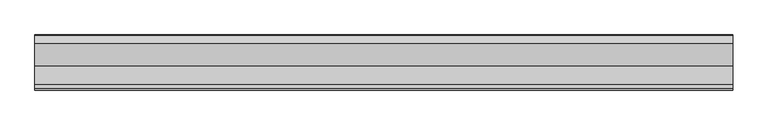
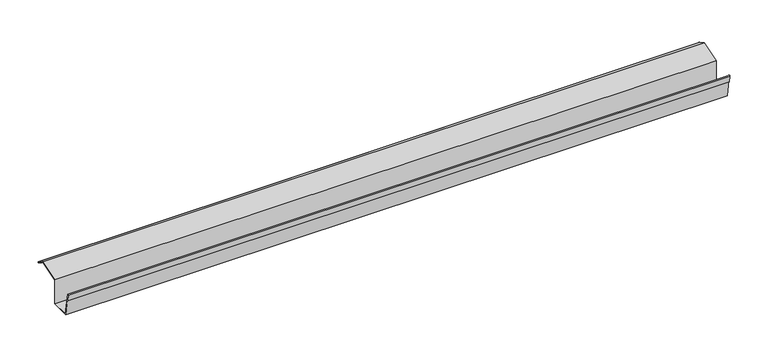
"""IFC4 building model written with IfcOpenShell, lengths in millimetres: proxy geometry."""

from ifc_helpers import new_model, si_unit, point, frame, frame_2d, origin, place, context, project, spatial, polyline, circle_curve, trimmed, segment, composite_curve, outline, extrude, source, transform, mapped, element, save


def generic_models_3a86c1da(model_context):
    return source(origin(), model_context, "Body", "SweptSolid", [
        extrude(outline(composite_curve([segment(polyline([(-77.1946836, 35.8400258), (-71.0162032, 0.8001226), (-43.9357531, 0.8001226), (-43.9357531, 38.6709803), (-11.8596013, 48.3982435), (-0.4135747, 41.789877)]), True, "CONTINUOUS"), segment(trimmed(circle_curve(frame_2d((-0.8260714, 41.0754118)), 0.8249933), [point((-0.4135747, 41.789877))], [point((-1.2385681, 40.3609466))], False, "CARTESIAN"), True, "CONTINUOUS"), segment(polyline([(-1.2385681, 40.3609466), (-9.9008205, 45.3621004), (-9.5008205, 46.0549207), (-0.8405664, 41.0549207), (-11.8315273, 47.5707806), (-43.1357531, 38.077608), (-43.1357531, 0.0001226), (-71.6874829, 0.0001226), (-77.9825298, 35.7011072), (-76.3918631, 25.8151362), (-77.1816154, 25.6880639), (-78.9180971, 35.5361415)]), True, "CONTINUOUS"), segment(trimmed(circle_curve(frame_2d((-78.0563904, 35.6880836)), 0.875), [point((-78.9180971, 35.5361415))], [point((-77.1946836, 35.8400258))], False, "CARTESIAN"), True, "CONTINUOUS")], self_intersect=False)), frame((0.0, 0.0, 0.0), z_axis=(1.0, 0.0, 0.0), x_axis=(0.0, 1.0, 0.0)), (0.0, 0.0, 1.0), 1000.0),
    ])


if __name__ == "__main__":
    model = new_model("IFC4")
    model_context = context("Model", 3, world=origin())
    ifc_project = project(units=[si_unit("LENGTHUNIT", "METRE", prefix="MILLI")], contexts=[model_context])
    site = spatial("IfcSite", under=ifc_project)
    building = spatial("IfcBuilding", under=site)
    placement = place(None, origin())
    generic_models_shape = generic_models_3a86c1da(model_context)
    element("IfcBuildingElementProxy", 1, Name="Generic Models", at=placement, inside=building, context=model_context, shape_type="MappedRepresentation", body=[
        mapped(generic_models_shape, transform((0.0, 0.0, 0.0), x_axis=(1.0, 0.0, 0.0), y_axis=(0.0, 1.0, 0.0), z_axis=(0.0, 0.0, 1.0))),
    ])
    save(model, "model.ifc")
